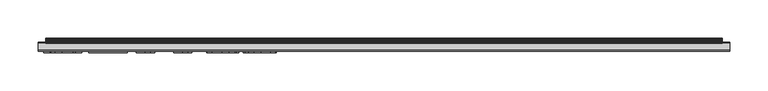
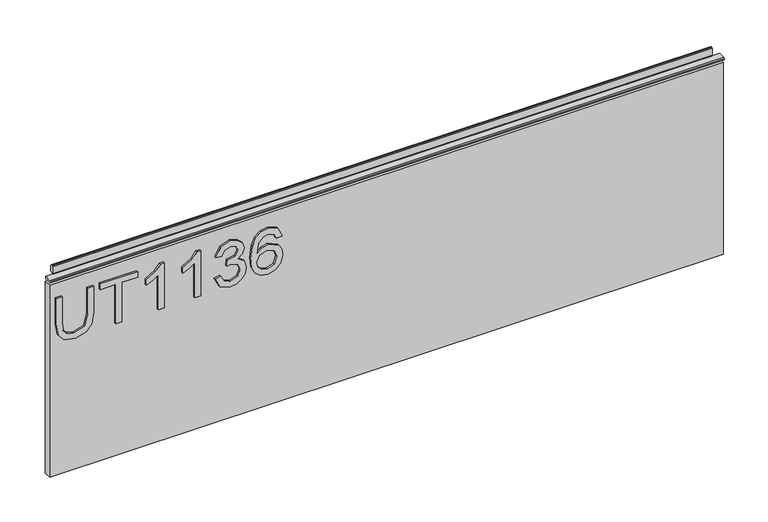
"""IFC4 building model written with IfcOpenShell, lengths in millimetres: furniture geometry."""

from ifc_helpers import new_model, si_unit, frame, origin, place, context, project, spatial, polyline, outline, extrude, source, transform, mapped, element, save


def furniture_d31a7a14(model_context):
    return source(origin(), model_context, "Body", "SweptSolid", [
        extrude(outline(polyline([(1116.7975569, -249.406548), (1080.2772981, -249.406548), (1064.1741222, -253.4401289), (1059.9848047, -266.9425017), (1062.1028239, -276.3178517), (1068.1220478, -281.7219156), (1080.2772981, -283.2948564), (1116.7975569, -283.2948564), (1116.7975569, -291.268576), (1079.9969721, -291.268576), (1064.0261723, -288.8468702), (1055.0946719, -280.7641349), (1052.011085, -266.1949655), (1055.5540952, -251.3999779), (1064.7425612, -243.5975687), (1079.9969721, -241.4328284), (1116.7975569, -241.4328284), (1116.7975569, -249.406548)])), frame((0.0, -6.7767932, 0.0), z_axis=(0.0, 1.0, 0.0), x_axis=(0.0, 0.0, 1.0)), (0.0, 0.0, 1.0), 2.38125),
        extrude(outline(polyline([(1053.0078, -211.5313799), (1053.0078, -203.5576602), (1108.8238373, -203.5576602), (1108.8238373, -182.6266462), (1116.7975569, -182.6266462), (1116.7975569, -232.4623938), (1108.8238373, -232.4623938), (1108.8238373, -211.5313799), (1053.0078, -211.5313799)])), frame((0.0, -6.7767932, 0.0), z_axis=(0.0, 1.0, 0.0), x_axis=(0.0, 0.0, 1.0)), (0.0, 0.0, 1.0), 2.38125),
        extrude(outline(polyline([(1053.0078, -146.744908), (1116.7975569, -146.744908), (1116.7975569, -151.8842194), (1108.3099062, -158.9780266), (1100.8501177, -170.6660668), (1093.3124609, -170.6660668), (1097.3382549, -162.2718581), (1102.7189582, -154.7186276), (1053.0078, -154.7186276), (1053.0078, -146.744908)])), frame((0.0, -6.7767932, 0.0), z_axis=(0.0, 1.0, 0.0), x_axis=(0.0, 0.0, 1.0)), (0.0, 0.0, 1.0), 2.38125),
        extrude(outline(polyline([(1053.0078, -97.9058753), (1116.7975569, -97.9058753), (1116.7975569, -103.0451868), (1108.3099062, -110.138994), (1100.8501177, -121.8270341), (1093.3124609, -121.8270341), (1097.3382549, -113.4328254), (1102.7189582, -105.8795949), (1053.0078, -105.8795949), (1053.0078, -97.9058753)])), frame((0.0, -6.7767932, 0.0), z_axis=(0.0, 1.0, 0.0), x_axis=(0.0, 0.0, 1.0)), (0.0, 0.0, 1.0), 2.38125),
        extrude(outline(polyline([(1069.9519542, -78.9682912), (1057.0102335, -72.629807), (1052.011085, -58.6446504), (1053.4750101, -50.1219589), (1057.8667854, -43.2111423), (1064.3610063, -38.632483), (1072.1322681, -37.1062632), (1082.5043331, -40.1587027), (1087.955118, -48.8488112), (1093.2345925, -42.3078694), (1100.5853653, -40.0964081), (1108.6291664, -42.4246719), (1114.6094562, -49.1524978), (1116.7975569, -58.7692397), (1112.3590607, -71.446208), (1099.8534028, -77.9715762), (1098.8566878, -69.9978566), (1106.3320499, -66.0888652), (1108.8238373, -58.4889137), (1106.3554105, -50.9824042), (1100.1181552, -48.0701277), (1093.0788558, -52.0881348), (1090.8829682, -62.4134788), (1082.9092486, -63.301178), (1083.7813742, -57.7102301), (1080.51869, -48.6463535), (1072.2724312, -45.0799828), (1063.520028, -48.6775009), (1059.9848047, -58.3643243), (1062.5544604, -66.5950095), (1070.9486691, -70.9945716), (1069.9519542, -78.9682912)])), frame((0.0, -6.7767932, 0.0), z_axis=(0.0, 1.0, 0.0), x_axis=(0.0, 0.0, 1.0)), (0.0, 0.0, 1.0), 2.38125),
        extrude(outline(polyline([(1099.8534028, 10.7360545), (1112.296766, 4.8492068), (1116.7975569, -7.7498931), (1114.9793308, -17.0045472), (1109.5246525, -24.1489688), (1098.6659103, -29.3817223), (1082.7846592, -31.1259735), (1068.6593395, -29.5549794), (1059.1749738, -24.8419972), (1053.8020572, -17.6372276), (1052.011085, -8.5908714), (1054.713117, 1.859062), (1062.4999526, 9.100819), (1073.5027512, 11.7327695), (1081.6750351, 10.3350325), (1088.1887231, 6.1418215), (1093.873113, -7.4072724), (1091.7940279, -16.1207414), (1085.4321833, -23.1522539), (1099.6431582, -20.8862847), (1106.8927021, -15.4432867), (1108.8238373, -8.2482506), (1105.5066454, -0.2589573), (1098.8566878, 2.7623349), (1099.8534028, 10.7360545)]), holes=[polyline([(1073.6273406, -23.1522539), (1082.51212, -19.1887546), (1085.8993934, -9.5408653), (1082.51212, 0.2316133), (1073.2379988, 3.7590498), (1063.5511754, 0.1848923), (1059.9848047, -9.2138182), (1061.7056953, -16.4010674), (1066.7204174, -21.3067738), (1073.6273406, -23.1522539)])]), frame((0.0, -6.7767932, 0.0), z_axis=(0.0, 1.0, 0.0), x_axis=(0.0, 0.0, 1.0)), (0.0, 0.0, 1.0), 2.38125),
        extrude(outline(polyline([(5.5562561, 1143.0), (6.3500061, 1143.0), (6.3500061, 1152.87425), (7.1437561, 1153.668), (8.6677569, 1153.668), (10.0084363, 1153.2506926), (10.875413, 1152.1461816), (10.9623604, 1150.7447591), (10.2390011, 1147.7863459), (10.4046103, 1146.5833307), (11.6746103, 1144.3836103), (10.7786383, 1143.8663244), (7.1437561, 1143.8663244), (7.1437561, 1143.0), (6.3500061, 1142.7669239), (6.3500061, 1135.5578), (5.5562561, 1135.5578), (5.5562561, 1143.0)])), frame((-288.671, 0.0, 0.0), z_axis=(1.0, 0.0, 0.0), x_axis=(0.0, 1.0, 0.0)), (0.0, 0.0, 1.0), 882.142),
        extrude(outline(polyline([(5.5562561, 1143.0), (5.5562561, 1139.8249996), (-3.975094, 1139.8249996), (-5.3492339, 1140.6183657), (-5.3492339, 1142.2066395), (-3.9751037, 1143.0), (5.5562561, 1143.0)])), frame((-298.196, 0.0, 0.0), z_axis=(1.0, 0.0, 0.0), x_axis=(0.0, 1.0, 0.0)), (0.0, 0.0, 1.0), 901.192),
        extrude(outline(polyline([(602.996, 6.3500061), (602.996, -3.1749939), (-298.196, -3.1749939), (-298.196, 6.3500061), (602.996, 6.3500061)])), frame((0.0, 0.0, 864.4381927), z_axis=(0.0, 0.0, 1.0), x_axis=(1.0, 0.0, 0.0)), (0.0, 0.0, 1.0), 271.1196073),
    ])


if __name__ == "__main__":
    model = new_model("IFC4")
    model_context = context("Model", 3, world=origin())
    ifc_project = project(units=[si_unit("LENGTHUNIT", "METRE", prefix="MILLI")], contexts=[model_context])
    site = spatial("IfcSite", under=ifc_project)
    building = spatial("IfcBuilding", under=site)
    placement = place(None, origin())
    furniture_shape = furniture_d31a7a14(model_context)
    element("IfcFurniture", 1, at=placement, inside=building, context=model_context, shape_type="MappedRepresentation", body=[
        mapped(furniture_shape, transform((0.0, 0.0, 0.0), x_axis=(1.0, 0.0, 0.0), y_axis=(0.0, 1.0, 0.0), z_axis=(0.0, 0.0, 1.0))),
    ])
    save(model, "model.ifc")
